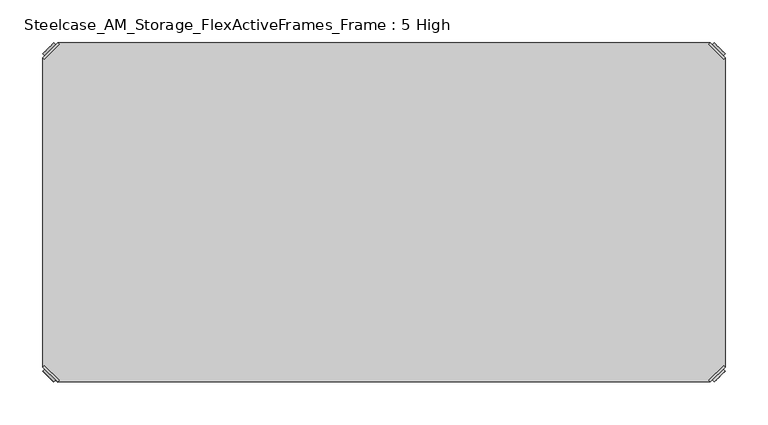
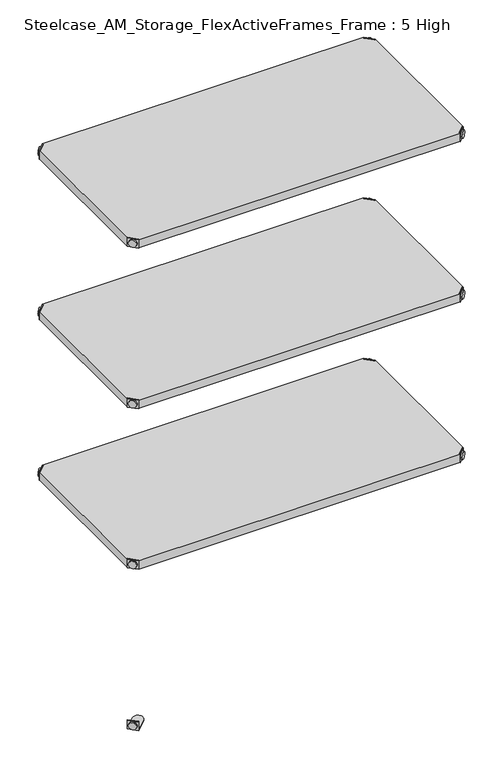
"""IFC4 building model written with IfcOpenShell, lengths in millimetres: furniture geometry, Steelcase_AM_Storage_FlexActiveFrames_Frame : 5 High."""

from ifc_helpers import new_model, si_unit, frame, origin, place, context, project, spatial, polyline, circle_curve, outline, extrude, source, transform, mapped, element, save
from ifc_brep_helpers import plane_surface, cylinder_surface, advanced_brep


def steelcase_am_storage_flexactiveframes_frame_5_high_27d22061(model_context):
    return source(origin(), model_context, "Body", "SolidModel", [
        advanced_brep(
        [(2.54, -380.2870969, 1725.93), (19.7629031, -397.51, 1725.93), (21.5589544, -395.7139488, 1725.93), (4.3360512, -378.4910456, 1725.93), (2.54, -380.2870969, 1704.594), (19.7629031, -397.51, 1704.594), (4.8652723, -382.6123691, 1715.77), (17.4376309, -395.1847277, 1715.77), (30.2920522, -352.5350447, 1705.61), (4.3360512, -378.4910456, 1705.61), (21.5589544, -395.7139488, 1705.61), (47.5149553, -369.7579478, 1705.61), (30.2920522, -352.5350447, 1704.594), (47.5149553, -369.7579478, 1704.594), (15.1227513, -397.4996073, 1715.77), (2.5503927, -384.9272487, 1715.77)],
        [
            (0, 1),
            (1, 2),
            (2, 3),
            (3, 0),
            (0, 4),
            (4, 5),
            (5, 1),
            (6, 7, circle_curve(frame((11.1514516, -388.8985484, 1715.77), z_axis=(0.7071067811865446, 0.7071067811865505, 0.0), x_axis=(-0.7071067811865505, 0.7071067811865446, 0.0)), 8.89)),
            (7, 6, circle_curve(frame((11.1514516, -388.8985484, 1715.77), z_axis=(0.7071067811865446, 0.7071067811865505, 0.0), x_axis=(-0.7071067811865505, 0.7071067811865446, 0.0)), 8.89)),
            (8, 9),
            (9, 10),
            (10, 11),
            (11, 8, circle_curve(frame((38.9035037, -361.1464963, 1705.61), z_axis=(0.0, 0.0, 1.0), x_axis=(1.0, 0.0, 0.0)), 12.1784316)),
            (12, 13, circle_curve(frame((38.9035037, -361.1464963, 1704.594), z_axis=(0.0, 0.0, -1.0), x_axis=(1.0, 0.0, 0.0)), 12.1784316)),
            (13, 5),
            (4, 12),
            (14, 15, circle_curve(frame((8.836572, -391.213428, 1715.77), z_axis=(-0.7071067811865446, -0.7071067811865505, 0.0), x_axis=(-0.7071067811865505, 0.7071067811865446, 0.0)), 8.89)),
            (15, 14, circle_curve(frame((8.836572, -391.213428, 1715.77), z_axis=(-0.7071067811865446, -0.7071067811865505, 0.0), x_axis=(-0.7071067811865505, 0.7071067811865446, 0.0)), 8.89)),
            (15, 6),
            (7, 14),
            (2, 10),
            (9, 3),
            (11, 13),
            (12, 8),
        ],
        [
            plane_surface(frame((-19.6579872, -402.485084, 1725.93), z_axis=(0.0, 0.0, 1.0000000000000002), x_axis=(0.7071067811865436, 0.7071067811865516, 0.0))),
            plane_surface(frame((19.7629031, -397.51, 1725.93), z_axis=(-0.7071067811865447, -0.7071067811865503, 0.0), x_axis=(0.0, 0.0, -1.0))),
            plane_surface(frame((51.0819353, -361.1464963, 1705.61), z_axis=(0.0, 0.0, 1.0), x_axis=(0.0, -1.0, 0.0))),
            plane_surface(frame((51.0819353, -361.1464963, 1704.594), z_axis=(0.0, 0.0, -1.0), x_axis=(0.0, 1.0, 0.0))),
            plane_surface(frame((2.5503927, -384.9272487, 1715.77), z_axis=(-0.7071067811865446, -0.7071067811865505, 0.0), x_axis=(0.0, 0.0, 1.0))),
            cylinder_surface(frame((11.1514516, -388.8985484, 1715.77), z_axis=(-0.7071067811865446, -0.7071067811865505, 0.0), x_axis=(-0.7071067811865505, 0.7071067811865446, 0.0)), 8.89),
            plane_surface(frame((4.3360512, -378.4910456, 1725.93), z_axis=(0.7071067811865447, 0.7071067811865503, 0.0), x_axis=(0.0, 0.0, -1.0))),
            cylinder_surface(frame((38.9035037, -361.1464963, 1704.594), z_axis=(0.0, 0.0, 1.0), x_axis=(1.0, 0.0, 0.0)), 12.1784316),
            plane_surface(frame((2.54, -380.2870969, 1725.93), z_axis=(-0.7071067811865516, 0.7071067811865436, 0.0), x_axis=(0.0, 0.0, -1.0))),
            plane_surface(frame((21.5589544, -395.7139488, 1725.93), z_axis=(0.7071067811865513, -0.7071067811865437, 0.0), x_axis=(0.0, 0.0, -1.0))),
        ],
        [
            (0, [[1, 2, 3, 4]]),
            (1, [[5, 6, 7, -1], [8, 9]]),
            (2, [[10, 11, 12, 13]]),
            (3, [[14, 15, -6, 16]]),
            (4, [[17, 18]]),
            (5, [[19, -9, 20, -18]]),
            (5, [[-20, -8, -19, -17]]),
            (6, [[21, -11, 22, -3]]),
            (7, [[23, -14, 24, -13]]),
            (8, [[-22, -10, -24, -16, -5, -4]]),
            (9, [[-7, -15, -23, -12, -21, -2]]),
        ],
    ),
        advanced_brep(
        [(797.56, -380.2870969, 1725.93), (795.7639488, -378.4910456, 1725.93), (778.5410456, -395.7139488, 1725.93), (780.3370969, -397.51, 1725.93), (780.3370969, -397.51, 1704.594), (797.56, -380.2870969, 1704.594), (795.2347277, -382.6123691, 1715.77), (782.6623691, -395.1847277, 1715.77), (769.8079478, -352.5350447, 1705.61), (752.5850447, -369.7579478, 1705.61), (778.5410456, -395.7139488, 1705.61), (795.7639488, -378.4910456, 1705.61), (769.8079478, -352.5350447, 1704.594), (752.5850447, -369.7579478, 1704.594), (784.9772487, -397.4996073, 1715.77), (797.5496073, -384.9272487, 1715.77)],
        [
            (0, 1),
            (1, 2),
            (2, 3),
            (3, 0),
            (3, 4),
            (4, 5),
            (5, 0),
            (6, 7, circle_curve(frame((788.9485484, -388.8985484, 1715.77), z_axis=(-0.7071067811865446, 0.7071067811865505, 0.0), x_axis=(0.7071067811865505, 0.7071067811865446, 0.0)), 8.89)),
            (7, 6, circle_curve(frame((788.9485484, -388.8985484, 1715.77), z_axis=(-0.7071067811865446, 0.7071067811865505, 0.0), x_axis=(0.7071067811865505, 0.7071067811865446, 0.0)), 8.89)),
            (8, 9, circle_curve(frame((761.1964963, -361.1464963, 1705.61), z_axis=(0.0, 0.0, 1.0), x_axis=(-1.0, 0.0, 0.0)), 12.1784316)),
            (9, 10),
            (10, 11),
            (11, 8),
            (12, 5),
            (4, 13),
            (13, 12, circle_curve(frame((761.1964963, -361.1464963, 1704.594), z_axis=(0.0, 0.0, -1.0), x_axis=(-1.0, 0.0, 0.0)), 12.1784316)),
            (14, 15, circle_curve(frame((791.263428, -391.213428, 1715.77), z_axis=(0.7071067811865446, -0.7071067811865505, 0.0), x_axis=(0.7071067811865505, 0.7071067811865446, 0.0)), 8.89)),
            (15, 14, circle_curve(frame((791.263428, -391.213428, 1715.77), z_axis=(0.7071067811865446, -0.7071067811865505, 0.0), x_axis=(0.7071067811865505, 0.7071067811865446, 0.0)), 8.89)),
            (14, 7),
            (6, 15),
            (1, 11),
            (10, 2),
            (8, 12),
            (13, 9),
        ],
        [
            plane_surface(frame((819.7579872, -402.485084, 1725.93), z_axis=(0.0, 0.0, 1.0000000000000002), x_axis=(-0.7071067811865436, 0.7071067811865516, 0.0))),
            plane_surface(frame((780.3370969, -397.51, 1725.93), z_axis=(0.7071067811865447, -0.7071067811865503, 0.0), x_axis=(0.0, 0.0, -1.0))),
            plane_surface(frame((749.0180647, -361.1464963, 1705.61), z_axis=(0.0, 0.0, 1.0), x_axis=(0.0, -1.0, 0.0))),
            plane_surface(frame((749.0180647, -361.1464963, 1704.594), z_axis=(0.0, 0.0, -1.0), x_axis=(0.0, 1.0, 0.0))),
            plane_surface(frame((797.5496073, -384.9272487, 1715.77), z_axis=(0.7071067811865446, -0.7071067811865505, 0.0), x_axis=(0.0, 0.0, 1.0))),
            cylinder_surface(frame((788.9485484, -388.8985484, 1715.77), z_axis=(0.7071067811865446, -0.7071067811865505, 0.0), x_axis=(0.7071067811865505, 0.7071067811865446, 0.0)), 8.89),
            plane_surface(frame((795.7639488, -378.4910456, 1725.93), z_axis=(-0.7071067811865447, 0.7071067811865503, 0.0), x_axis=(0.0, 0.0, -1.0))),
            cylinder_surface(frame((761.1964963, -361.1464963, 1704.594), z_axis=(0.0, 0.0, 1.0), x_axis=(-1.0, 0.0, 0.0)), 12.1784316),
            plane_surface(frame((797.56, -380.2870969, 1725.93), z_axis=(0.7071067811865516, 0.7071067811865436, 0.0), x_axis=(0.0, 0.0, -1.0))),
            plane_surface(frame((778.5410456, -395.7139488, 1725.93), z_axis=(-0.7071067811865513, -0.7071067811865437, 0.0), x_axis=(0.0, 0.0, -1.0))),
        ],
        [
            (0, [[1, 2, 3, 4]]),
            (1, [[-4, 5, 6, 7], [8, 9]]),
            (2, [[10, 11, 12, 13]]),
            (3, [[14, -6, 15, 16]]),
            (4, [[17, 18]]),
            (5, [[-17, 19, -8, 20]]),
            (5, [[-18, -20, -9, -19]]),
            (6, [[-2, 21, -12, 22]]),
            (7, [[-10, 23, -16, 24]]),
            (8, [[-1, -7, -14, -23, -13, -21]]),
            (9, [[-3, -22, -11, -24, -15, -5]]),
        ],
    ),
        advanced_brep(
        [(797.56, -19.7629031, 1725.93), (780.3370969, -2.54, 1725.93), (778.5410456, -4.3360512, 1725.93), (795.7639488, -21.5589544, 1725.93), (797.56, -19.7629031, 1704.594), (780.3370969, -2.54, 1704.594), (795.2347277, -17.4376309, 1715.77), (782.6623691, -4.8652723, 1715.77), (769.8079478, -47.5149553, 1705.61), (795.7639488, -21.5589544, 1705.61), (778.5410456, -4.3360512, 1705.61), (752.5850447, -30.2920522, 1705.61), (769.8079478, -47.5149553, 1704.594), (752.5850447, -30.2920522, 1704.594), (784.9772487, -2.5503927, 1715.77), (797.5496073, -15.1227513, 1715.77)],
        [
            (0, 1),
            (1, 2),
            (2, 3),
            (3, 0),
            (0, 4),
            (4, 5),
            (5, 1),
            (6, 7, circle_curve(frame((788.9485484, -11.1514516, 1715.77), z_axis=(-0.7071067811865469, -0.7071067811865481, 0.0), x_axis=(0.7071067811865481, -0.7071067811865469, 0.0)), 8.89)),
            (7, 6, circle_curve(frame((788.9485484, -11.1514516, 1715.77), z_axis=(-0.7071067811865469, -0.7071067811865481, 0.0), x_axis=(0.7071067811865481, -0.7071067811865469, 0.0)), 8.89)),
            (8, 9),
            (9, 10),
            (10, 11),
            (11, 8, circle_curve(frame((761.1964963, -38.9035037, 1705.61), z_axis=(0.0, 0.0, 1.0), x_axis=(-1.0, 0.0, 0.0)), 12.1784316)),
            (12, 13, circle_curve(frame((761.1964963, -38.9035037, 1704.594), z_axis=(0.0, 0.0, -1.0), x_axis=(-1.0, 0.0, 0.0)), 12.1784316)),
            (13, 5),
            (4, 12),
            (14, 15, circle_curve(frame((791.263428, -8.836572, 1715.77), z_axis=(0.7071067811865469, 0.7071067811865481, 0.0), x_axis=(0.7071067811865481, -0.7071067811865469, 0.0)), 8.89)),
            (15, 14, circle_curve(frame((791.263428, -8.836572, 1715.77), z_axis=(0.7071067811865469, 0.7071067811865481, 0.0), x_axis=(0.7071067811865481, -0.7071067811865469, 0.0)), 8.89)),
            (15, 6),
            (7, 14),
            (2, 10),
            (9, 3),
            (11, 13),
            (12, 8),
        ],
        [
            plane_surface(frame((819.7579872, 2.435084, 1725.93), z_axis=(0.0, 0.0, 1.0000000000000002), x_axis=(-0.7071067811865459, -0.7071067811865492, 0.0))),
            plane_surface(frame((780.3370969, -2.54, 1725.93), z_axis=(0.707106781186547, 0.707106781186548, 0.0), x_axis=(0.0, 0.0, -1.0))),
            plane_surface(frame((749.0180647, -38.9035037, 1705.61), z_axis=(0.0, 0.0, 1.0), x_axis=(0.0, 1.0, 0.0))),
            plane_surface(frame((749.0180647, -38.9035037, 1704.594), z_axis=(0.0, 0.0, -1.0), x_axis=(0.0, -1.0, 0.0))),
            plane_surface(frame((797.5496073, -15.1227513, 1715.77), z_axis=(0.7071067811865469, 0.7071067811865481, 0.0), x_axis=(0.0, 0.0, 1.0))),
            cylinder_surface(frame((788.9485484, -11.1514516, 1715.77), z_axis=(0.7071067811865469, 0.7071067811865481, 0.0), x_axis=(0.7071067811865481, -0.7071067811865469, 0.0)), 8.89),
            plane_surface(frame((795.7639488, -21.5589544, 1725.93), z_axis=(-0.707106781186547, -0.707106781186548, 0.0), x_axis=(0.0, 0.0, -1.0))),
            cylinder_surface(frame((761.1964963, -38.9035037, 1704.594), z_axis=(0.0, 0.0, 1.0), x_axis=(-1.0, 0.0, 0.0)), 12.1784316),
            plane_surface(frame((797.56, -19.7629031, 1725.93), z_axis=(0.7071067811865492, -0.7071067811865459, 0.0), x_axis=(0.0, 0.0, -1.0))),
            plane_surface(frame((778.5410456, -4.3360512, 1725.93), z_axis=(-0.707106781186549, 0.707106781186546, 0.0), x_axis=(0.0, 0.0, -1.0))),
        ],
        [
            (0, [[1, 2, 3, 4]]),
            (1, [[5, 6, 7, -1], [8, 9]]),
            (2, [[10, 11, 12, 13]]),
            (3, [[14, 15, -6, 16]]),
            (4, [[17, 18]]),
            (5, [[19, -9, 20, -18]]),
            (5, [[-20, -8, -19, -17]]),
            (6, [[21, -11, 22, -3]]),
            (7, [[23, -14, 24, -13]]),
            (8, [[-22, -10, -24, -16, -5, -4]]),
            (9, [[-7, -15, -23, -12, -21, -2]]),
        ],
    ),
        advanced_brep(
        [(2.54, -19.7629031, 1725.93), (4.3360512, -21.5589544, 1725.93), (21.5589544, -4.3360512, 1725.93), (19.7629031, -2.54, 1725.93), (19.7629031, -2.54, 1704.594), (2.54, -19.7629031, 1704.594), (4.8652723, -17.4376309, 1715.77), (17.4376309, -4.8652723, 1715.77), (30.2920522, -47.5149553, 1705.61), (47.5149553, -30.2920522, 1705.61), (21.5589544, -4.3360512, 1705.61), (4.3360512, -21.5589544, 1705.61), (30.2920522, -47.5149553, 1704.594), (47.5149553, -30.2920522, 1704.594), (15.1227513, -2.5503927, 1715.77), (2.5503927, -15.1227513, 1715.77)],
        [
            (0, 1),
            (1, 2),
            (2, 3),
            (3, 0),
            (3, 4),
            (4, 5),
            (5, 0),
            (6, 7, circle_curve(frame((11.1514516, -11.1514516, 1715.77), z_axis=(0.7071067811865469, -0.7071067811865481, 0.0), x_axis=(-0.7071067811865481, -0.7071067811865469, 0.0)), 8.89)),
            (7, 6, circle_curve(frame((11.1514516, -11.1514516, 1715.77), z_axis=(0.7071067811865469, -0.7071067811865481, 0.0), x_axis=(-0.7071067811865481, -0.7071067811865469, 0.0)), 8.89)),
            (8, 9, circle_curve(frame((38.9035037, -38.9035037, 1705.61), z_axis=(0.0, 0.0, 1.0), x_axis=(1.0, 0.0, 0.0)), 12.1784316)),
            (9, 10),
            (10, 11),
            (11, 8),
            (12, 5),
            (4, 13),
            (13, 12, circle_curve(frame((38.9035037, -38.9035037, 1704.594), z_axis=(0.0, 0.0, -1.0), x_axis=(1.0, 0.0, 0.0)), 12.1784316)),
            (14, 15, circle_curve(frame((8.836572, -8.836572, 1715.77), z_axis=(-0.7071067811865469, 0.7071067811865481, 0.0), x_axis=(-0.7071067811865481, -0.7071067811865469, 0.0)), 8.89)),
            (15, 14, circle_curve(frame((8.836572, -8.836572, 1715.77), z_axis=(-0.7071067811865469, 0.7071067811865481, 0.0), x_axis=(-0.7071067811865481, -0.7071067811865469, 0.0)), 8.89)),
            (14, 7),
            (6, 15),
            (1, 11),
            (10, 2),
            (8, 12),
            (13, 9),
        ],
        [
            plane_surface(frame((-19.6579872, 2.435084, 1725.93), z_axis=(0.0, 0.0, 1.0000000000000002), x_axis=(0.7071067811865459, -0.7071067811865492, 0.0))),
            plane_surface(frame((19.7629031, -2.54, 1725.93), z_axis=(-0.707106781186547, 0.707106781186548, 0.0), x_axis=(0.0, 0.0, -1.0))),
            plane_surface(frame((51.0819353, -38.9035037, 1705.61), z_axis=(0.0, 0.0, 1.0), x_axis=(0.0, 1.0, 0.0))),
            plane_surface(frame((51.0819353, -38.9035037, 1704.594), z_axis=(0.0, 0.0, -1.0), x_axis=(0.0, -1.0, 0.0))),
            plane_surface(frame((2.5503927, -15.1227513, 1715.77), z_axis=(-0.7071067811865469, 0.7071067811865481, 0.0), x_axis=(0.0, 0.0, 1.0))),
            cylinder_surface(frame((11.1514516, -11.1514516, 1715.77), z_axis=(-0.7071067811865469, 0.7071067811865481, 0.0), x_axis=(-0.7071067811865481, -0.7071067811865469, 0.0)), 8.89),
            plane_surface(frame((4.3360512, -21.5589544, 1725.93), z_axis=(0.707106781186547, -0.707106781186548, 0.0), x_axis=(0.0, 0.0, -1.0))),
            cylinder_surface(frame((38.9035037, -38.9035037, 1704.594), z_axis=(0.0, 0.0, 1.0), x_axis=(1.0, 0.0, 0.0)), 12.1784316),
            plane_surface(frame((2.54, -19.7629031, 1725.93), z_axis=(-0.7071067811865492, -0.7071067811865459, 0.0), x_axis=(0.0, 0.0, -1.0))),
            plane_surface(frame((21.5589544, -4.3360512, 1725.93), z_axis=(0.707106781186549, 0.707106781186546, 0.0), x_axis=(0.0, 0.0, -1.0))),
        ],
        [
            (0, [[1, 2, 3, 4]]),
            (1, [[-4, 5, 6, 7], [8, 9]]),
            (2, [[10, 11, 12, 13]]),
            (3, [[14, -6, 15, 16]]),
            (4, [[17, 18]]),
            (5, [[-17, 19, -8, 20]]),
            (5, [[-18, -20, -9, -19]]),
            (6, [[-2, 21, -12, 22]]),
            (7, [[-10, 23, -16, 24]]),
            (8, [[-1, -7, -14, -23, -13, -21]]),
            (9, [[-3, -22, -11, -24, -15, -5]]),
        ],
    ),
        extrude(outline(polyline([(19.7629031, -2.54), (780.3370969, -2.54), (778.5410456, -4.3360512), (795.7639488, -21.5589544), (797.56, -19.7629031), (797.56, -380.2870969), (795.7639488, -378.4910456), (778.5410456, -395.7139488), (780.3370969, -397.51), (19.7629031, -397.51), (21.5589544, -395.7139488), (4.3360512, -378.4910456), (2.54, -380.2870969), (2.54, -19.7629031), (4.3360512, -21.5589544), (21.5589544, -4.3360512), (19.7629031, -2.54)])), frame((0.0, 0.0, 1705.61), z_axis=(0.0, 0.0, 1.0), x_axis=(1.0, 0.0, 0.0)), (0.0, 0.0, 1.0), 20.32),
        advanced_brep(
        [(2.54, -380.2870969, 1324.61), (19.7629031, -397.51, 1324.61), (21.5589544, -395.7139488, 1324.61), (4.3360512, -378.4910456, 1324.61), (2.54, -380.2870969, 1303.274), (19.7629031, -397.51, 1303.274), (4.8652723, -382.6123691, 1314.45), (17.4376309, -395.1847277, 1314.45), (30.2920522, -352.5350447, 1304.29), (4.3360512, -378.4910456, 1304.29), (21.5589544, -395.7139488, 1304.29), (47.5149553, -369.7579478, 1304.29), (30.2920522, -352.5350447, 1303.274), (47.5149553, -369.7579478, 1303.274), (15.1227513, -397.4996073, 1314.45), (2.5503927, -384.9272487, 1314.45)],
        [
            (0, 1),
            (1, 2),
            (2, 3),
            (3, 0),
            (0, 4),
            (4, 5),
            (5, 1),
            (6, 7, circle_curve(frame((11.1514516, -388.8985484, 1314.45), z_axis=(0.7071067811865446, 0.7071067811865505, 0.0), x_axis=(-0.7071067811865505, 0.7071067811865446, 0.0)), 8.89)),
            (7, 6, circle_curve(frame((11.1514516, -388.8985484, 1314.45), z_axis=(0.7071067811865446, 0.7071067811865505, 0.0), x_axis=(-0.7071067811865505, 0.7071067811865446, 0.0)), 8.89)),
            (8, 9),
            (9, 10),
            (10, 11),
            (11, 8, circle_curve(frame((38.9035037, -361.1464963, 1304.29), z_axis=(0.0, 0.0, 1.0), x_axis=(1.0, 0.0, 0.0)), 12.1784316)),
            (12, 13, circle_curve(frame((38.9035037, -361.1464963, 1303.274), z_axis=(0.0, 0.0, -1.0), x_axis=(1.0, 0.0, 0.0)), 12.1784316)),
            (13, 5),
            (4, 12),
            (14, 15, circle_curve(frame((8.836572, -391.213428, 1314.45), z_axis=(-0.7071067811865446, -0.7071067811865505, 0.0), x_axis=(-0.7071067811865505, 0.7071067811865446, 0.0)), 8.89)),
            (15, 14, circle_curve(frame((8.836572, -391.213428, 1314.45), z_axis=(-0.7071067811865446, -0.7071067811865505, 0.0), x_axis=(-0.7071067811865505, 0.7071067811865446, 0.0)), 8.89)),
            (15, 6),
            (7, 14),
            (2, 10),
            (9, 3),
            (11, 13),
            (12, 8),
        ],
        [
            plane_surface(frame((-19.6579872, -402.485084, 1324.61), z_axis=(0.0, 0.0, 1.0000000000000002), x_axis=(0.7071067811865436, 0.7071067811865516, 0.0))),
            plane_surface(frame((19.7629031, -397.51, 1324.61), z_axis=(-0.7071067811865447, -0.7071067811865503, 0.0), x_axis=(0.0, 0.0, -1.0))),
            plane_surface(frame((51.0819353, -361.1464963, 1304.29), z_axis=(0.0, 0.0, 1.0), x_axis=(0.0, -1.0, 0.0))),
            plane_surface(frame((51.0819353, -361.1464963, 1303.274), z_axis=(0.0, 0.0, -1.0), x_axis=(0.0, 1.0, 0.0))),
            plane_surface(frame((2.5503927, -384.9272487, 1314.45), z_axis=(-0.7071067811865446, -0.7071067811865505, 0.0), x_axis=(0.0, 0.0, 1.0))),
            cylinder_surface(frame((11.1514516, -388.8985484, 1314.45), z_axis=(-0.7071067811865446, -0.7071067811865505, 0.0), x_axis=(-0.7071067811865505, 0.7071067811865446, 0.0)), 8.89),
            plane_surface(frame((4.3360512, -378.4910456, 1324.61), z_axis=(0.7071067811865447, 0.7071067811865503, 0.0), x_axis=(0.0, 0.0, -1.0))),
            cylinder_surface(frame((38.9035037, -361.1464963, 1303.274), z_axis=(0.0, 0.0, 1.0), x_axis=(1.0, 0.0, 0.0)), 12.1784316),
            plane_surface(frame((2.54, -380.2870969, 1324.61), z_axis=(-0.7071067811865516, 0.7071067811865436, 0.0), x_axis=(0.0, 0.0, -1.0))),
            plane_surface(frame((21.5589544, -395.7139488, 1324.61), z_axis=(0.7071067811865513, -0.7071067811865437, 0.0), x_axis=(0.0, 0.0, -1.0))),
        ],
        [
            (0, [[1, 2, 3, 4]]),
            (1, [[5, 6, 7, -1], [8, 9]]),
            (2, [[10, 11, 12, 13]]),
            (3, [[14, 15, -6, 16]]),
            (4, [[17, 18]]),
            (5, [[19, -9, 20, -18]]),
            (5, [[-20, -8, -19, -17]]),
            (6, [[21, -11, 22, -3]]),
            (7, [[23, -14, 24, -13]]),
            (8, [[-22, -10, -24, -16, -5, -4]]),
            (9, [[-7, -15, -23, -12, -21, -2]]),
        ],
    ),
        advanced_brep(
        [(797.56, -380.2870969, 1324.61), (795.7639488, -378.4910456, 1324.61), (778.5410456, -395.7139488, 1324.61), (780.3370969, -397.51, 1324.61), (780.3370969, -397.51, 1303.274), (797.56, -380.2870969, 1303.274), (795.2347277, -382.6123691, 1314.45), (782.6623691, -395.1847277, 1314.45), (769.8079478, -352.5350447, 1304.29), (752.5850447, -369.7579478, 1304.29), (778.5410456, -395.7139488, 1304.29), (795.7639488, -378.4910456, 1304.29), (769.8079478, -352.5350447, 1303.274), (752.5850447, -369.7579478, 1303.274), (784.9772487, -397.4996073, 1314.45), (797.5496073, -384.9272487, 1314.45)],
        [
            (0, 1),
            (1, 2),
            (2, 3),
            (3, 0),
            (3, 4),
            (4, 5),
            (5, 0),
            (6, 7, circle_curve(frame((788.9485484, -388.8985484, 1314.45), z_axis=(-0.7071067811865446, 0.7071067811865505, 0.0), x_axis=(0.7071067811865505, 0.7071067811865446, 0.0)), 8.89)),
            (7, 6, circle_curve(frame((788.9485484, -388.8985484, 1314.45), z_axis=(-0.7071067811865446, 0.7071067811865505, 0.0), x_axis=(0.7071067811865505, 0.7071067811865446, 0.0)), 8.89)),
            (8, 9, circle_curve(frame((761.1964963, -361.1464963, 1304.29), z_axis=(0.0, 0.0, 1.0), x_axis=(-1.0, 0.0, 0.0)), 12.1784316)),
            (9, 10),
            (10, 11),
            (11, 8),
            (12, 5),
            (4, 13),
            (13, 12, circle_curve(frame((761.1964963, -361.1464963, 1303.274), z_axis=(0.0, 0.0, -1.0), x_axis=(-1.0, 0.0, 0.0)), 12.1784316)),
            (14, 15, circle_curve(frame((791.263428, -391.213428, 1314.45), z_axis=(0.7071067811865446, -0.7071067811865505, 0.0), x_axis=(0.7071067811865505, 0.7071067811865446, 0.0)), 8.89)),
            (15, 14, circle_curve(frame((791.263428, -391.213428, 1314.45), z_axis=(0.7071067811865446, -0.7071067811865505, 0.0), x_axis=(0.7071067811865505, 0.7071067811865446, 0.0)), 8.89)),
            (14, 7),
            (6, 15),
            (1, 11),
            (10, 2),
            (8, 12),
            (13, 9),
        ],
        [
            plane_surface(frame((819.7579872, -402.485084, 1324.61), z_axis=(0.0, 0.0, 1.0000000000000002), x_axis=(-0.7071067811865436, 0.7071067811865516, 0.0))),
            plane_surface(frame((780.3370969, -397.51, 1324.61), z_axis=(0.7071067811865447, -0.7071067811865503, 0.0), x_axis=(0.0, 0.0, -1.0))),
            plane_surface(frame((749.0180647, -361.1464963, 1304.29), z_axis=(0.0, 0.0, 1.0), x_axis=(0.0, -1.0, 0.0))),
            plane_surface(frame((749.0180647, -361.1464963, 1303.274), z_axis=(0.0, 0.0, -1.0), x_axis=(0.0, 1.0, 0.0))),
            plane_surface(frame((797.5496073, -384.9272487, 1314.45), z_axis=(0.7071067811865446, -0.7071067811865505, 0.0), x_axis=(0.0, 0.0, 1.0))),
            cylinder_surface(frame((788.9485484, -388.8985484, 1314.45), z_axis=(0.7071067811865446, -0.7071067811865505, 0.0), x_axis=(0.7071067811865505, 0.7071067811865446, 0.0)), 8.89),
            plane_surface(frame((795.7639488, -378.4910456, 1324.61), z_axis=(-0.7071067811865447, 0.7071067811865503, 0.0), x_axis=(0.0, 0.0, -1.0))),
            cylinder_surface(frame((761.1964963, -361.1464963, 1303.274), z_axis=(0.0, 0.0, 1.0), x_axis=(-1.0, 0.0, 0.0)), 12.1784316),
            plane_surface(frame((797.56, -380.2870969, 1324.61), z_axis=(0.7071067811865516, 0.7071067811865436, 0.0), x_axis=(0.0, 0.0, -1.0))),
            plane_surface(frame((778.5410456, -395.7139488, 1324.61), z_axis=(-0.7071067811865513, -0.7071067811865437, 0.0), x_axis=(0.0, 0.0, -1.0))),
        ],
        [
            (0, [[1, 2, 3, 4]]),
            (1, [[-4, 5, 6, 7], [8, 9]]),
            (2, [[10, 11, 12, 13]]),
            (3, [[14, -6, 15, 16]]),
            (4, [[17, 18]]),
            (5, [[-17, 19, -8, 20]]),
            (5, [[-18, -20, -9, -19]]),
            (6, [[-2, 21, -12, 22]]),
            (7, [[-10, 23, -16, 24]]),
            (8, [[-1, -7, -14, -23, -13, -21]]),
            (9, [[-3, -22, -11, -24, -15, -5]]),
        ],
    ),
        advanced_brep(
        [(797.56, -19.7629031, 1324.61), (780.3370969, -2.54, 1324.61), (778.5410456, -4.3360512, 1324.61), (795.7639488, -21.5589544, 1324.61), (797.56, -19.7629031, 1303.274), (780.3370969, -2.54, 1303.274), (795.2347277, -17.4376309, 1314.45), (782.6623691, -4.8652723, 1314.45), (769.8079478, -47.5149553, 1304.29), (795.7639488, -21.5589544, 1304.29), (778.5410456, -4.3360512, 1304.29), (752.5850447, -30.2920522, 1304.29), (769.8079478, -47.5149553, 1303.274), (752.5850447, -30.2920522, 1303.274), (784.9772487, -2.5503927, 1314.45), (797.5496073, -15.1227513, 1314.45)],
        [
            (0, 1),
            (1, 2),
            (2, 3),
            (3, 0),
            (0, 4),
            (4, 5),
            (5, 1),
            (6, 7, circle_curve(frame((788.9485484, -11.1514516, 1314.45), z_axis=(-0.7071067811865469, -0.7071067811865481, 0.0), x_axis=(0.7071067811865481, -0.7071067811865469, 0.0)), 8.89)),
            (7, 6, circle_curve(frame((788.9485484, -11.1514516, 1314.45), z_axis=(-0.7071067811865469, -0.7071067811865481, 0.0), x_axis=(0.7071067811865481, -0.7071067811865469, 0.0)), 8.89)),
            (8, 9),
            (9, 10),
            (10, 11),
            (11, 8, circle_curve(frame((761.1964963, -38.9035037, 1304.29), z_axis=(0.0, 0.0, 1.0), x_axis=(-1.0, 0.0, 0.0)), 12.1784316)),
            (12, 13, circle_curve(frame((761.1964963, -38.9035037, 1303.274), z_axis=(0.0, 0.0, -1.0), x_axis=(-1.0, 0.0, 0.0)), 12.1784316)),
            (13, 5),
            (4, 12),
            (14, 15, circle_curve(frame((791.263428, -8.836572, 1314.45), z_axis=(0.7071067811865469, 0.7071067811865481, 0.0), x_axis=(0.7071067811865481, -0.7071067811865469, 0.0)), 8.89)),
            (15, 14, circle_curve(frame((791.263428, -8.836572, 1314.45), z_axis=(0.7071067811865469, 0.7071067811865481, 0.0), x_axis=(0.7071067811865481, -0.7071067811865469, 0.0)), 8.89)),
            (15, 6),
            (7, 14),
            (2, 10),
            (9, 3),
            (11, 13),
            (12, 8),
        ],
        [
            plane_surface(frame((819.7579872, 2.435084, 1324.61), z_axis=(0.0, 0.0, 1.0000000000000002), x_axis=(-0.7071067811865459, -0.7071067811865492, 0.0))),
            plane_surface(frame((780.3370969, -2.54, 1324.61), z_axis=(0.707106781186547, 0.707106781186548, 0.0), x_axis=(0.0, 0.0, -1.0))),
            plane_surface(frame((749.0180647, -38.9035037, 1304.29), z_axis=(0.0, 0.0, 1.0), x_axis=(0.0, 1.0, 0.0))),
            plane_surface(frame((749.0180647, -38.9035037, 1303.274), z_axis=(0.0, 0.0, -1.0), x_axis=(0.0, -1.0, 0.0))),
            plane_surface(frame((797.5496073, -15.1227513, 1314.45), z_axis=(0.7071067811865469, 0.7071067811865481, 0.0), x_axis=(0.0, 0.0, 1.0))),
            cylinder_surface(frame((788.9485484, -11.1514516, 1314.45), z_axis=(0.7071067811865469, 0.7071067811865481, 0.0), x_axis=(0.7071067811865481, -0.7071067811865469, 0.0)), 8.89),
            plane_surface(frame((795.7639488, -21.5589544, 1324.61), z_axis=(-0.707106781186547, -0.707106781186548, 0.0), x_axis=(0.0, 0.0, -1.0))),
            cylinder_surface(frame((761.1964963, -38.9035037, 1303.274), z_axis=(0.0, 0.0, 1.0), x_axis=(-1.0, 0.0, 0.0)), 12.1784316),
            plane_surface(frame((797.56, -19.7629031, 1324.61), z_axis=(0.7071067811865492, -0.7071067811865459, 0.0), x_axis=(0.0, 0.0, -1.0))),
            plane_surface(frame((778.5410456, -4.3360512, 1324.61), z_axis=(-0.707106781186549, 0.707106781186546, 0.0), x_axis=(0.0, 0.0, -1.0))),
        ],
        [
            (0, [[1, 2, 3, 4]]),
            (1, [[5, 6, 7, -1], [8, 9]]),
            (2, [[10, 11, 12, 13]]),
            (3, [[14, 15, -6, 16]]),
            (4, [[17, 18]]),
            (5, [[19, -9, 20, -18]]),
            (5, [[-20, -8, -19, -17]]),
            (6, [[21, -11, 22, -3]]),
            (7, [[23, -14, 24, -13]]),
            (8, [[-22, -10, -24, -16, -5, -4]]),
            (9, [[-7, -15, -23, -12, -21, -2]]),
        ],
    ),
        advanced_brep(
        [(2.54, -19.7629031, 1324.61), (4.3360512, -21.5589544, 1324.61), (21.5589544, -4.3360512, 1324.61), (19.7629031, -2.54, 1324.61), (19.7629031, -2.54, 1303.274), (2.54, -19.7629031, 1303.274), (4.8652723, -17.4376309, 1314.45), (17.4376309, -4.8652723, 1314.45), (30.2920522, -47.5149553, 1304.29), (47.5149553, -30.2920522, 1304.29), (21.5589544, -4.3360512, 1304.29), (4.3360512, -21.5589544, 1304.29), (30.2920522, -47.5149553, 1303.274), (47.5149553, -30.2920522, 1303.274), (15.1227513, -2.5503927, 1314.45), (2.5503927, -15.1227513, 1314.45)],
        [
            (0, 1),
            (1, 2),
            (2, 3),
            (3, 0),
            (3, 4),
            (4, 5),
            (5, 0),
            (6, 7, circle_curve(frame((11.1514516, -11.1514516, 1314.45), z_axis=(0.7071067811865469, -0.7071067811865481, 0.0), x_axis=(-0.7071067811865481, -0.7071067811865469, 0.0)), 8.89)),
            (7, 6, circle_curve(frame((11.1514516, -11.1514516, 1314.45), z_axis=(0.7071067811865469, -0.7071067811865481, 0.0), x_axis=(-0.7071067811865481, -0.7071067811865469, 0.0)), 8.89)),
            (8, 9, circle_curve(frame((38.9035037, -38.9035037, 1304.29), z_axis=(0.0, 0.0, 1.0), x_axis=(1.0, 0.0, 0.0)), 12.1784316)),
            (9, 10),
            (10, 11),
            (11, 8),
            (12, 5),
            (4, 13),
            (13, 12, circle_curve(frame((38.9035037, -38.9035037, 1303.274), z_axis=(0.0, 0.0, -1.0), x_axis=(1.0, 0.0, 0.0)), 12.1784316)),
            (14, 15, circle_curve(frame((8.836572, -8.836572, 1314.45), z_axis=(-0.7071067811865469, 0.7071067811865481, 0.0), x_axis=(-0.7071067811865481, -0.7071067811865469, 0.0)), 8.89)),
            (15, 14, circle_curve(frame((8.836572, -8.836572, 1314.45), z_axis=(-0.7071067811865469, 0.7071067811865481, 0.0), x_axis=(-0.7071067811865481, -0.7071067811865469, 0.0)), 8.89)),
            (14, 7),
            (6, 15),
            (1, 11),
            (10, 2),
            (8, 12),
            (13, 9),
        ],
        [
            plane_surface(frame((-19.6579872, 2.435084, 1324.61), z_axis=(0.0, 0.0, 1.0000000000000002), x_axis=(0.7071067811865459, -0.7071067811865492, 0.0))),
            plane_surface(frame((19.7629031, -2.54, 1324.61), z_axis=(-0.707106781186547, 0.707106781186548, 0.0), x_axis=(0.0, 0.0, -1.0))),
            plane_surface(frame((51.0819353, -38.9035037, 1304.29), z_axis=(0.0, 0.0, 1.0), x_axis=(0.0, 1.0, 0.0))),
            plane_surface(frame((51.0819353, -38.9035037, 1303.274), z_axis=(0.0, 0.0, -1.0), x_axis=(0.0, -1.0, 0.0))),
            plane_surface(frame((2.5503927, -15.1227513, 1314.45), z_axis=(-0.7071067811865469, 0.7071067811865481, 0.0), x_axis=(0.0, 0.0, 1.0))),
            cylinder_surface(frame((11.1514516, -11.1514516, 1314.45), z_axis=(-0.7071067811865469, 0.7071067811865481, 0.0), x_axis=(-0.7071067811865481, -0.7071067811865469, 0.0)), 8.89),
            plane_surface(frame((4.3360512, -21.5589544, 1324.61), z_axis=(0.707106781186547, -0.707106781186548, 0.0), x_axis=(0.0, 0.0, -1.0))),
            cylinder_surface(frame((38.9035037, -38.9035037, 1303.274), z_axis=(0.0, 0.0, 1.0), x_axis=(1.0, 0.0, 0.0)), 12.1784316),
            plane_surface(frame((2.54, -19.7629031, 1324.61), z_axis=(-0.7071067811865492, -0.7071067811865459, 0.0), x_axis=(0.0, 0.0, -1.0))),
            plane_surface(frame((21.5589544, -4.3360512, 1324.61), z_axis=(0.707106781186549, 0.707106781186546, 0.0), x_axis=(0.0, 0.0, -1.0))),
        ],
        [
            (0, [[1, 2, 3, 4]]),
            (1, [[-4, 5, 6, 7], [8, 9]]),
            (2, [[10, 11, 12, 13]]),
            (3, [[14, -6, 15, 16]]),
            (4, [[17, 18]]),
            (5, [[-17, 19, -8, 20]]),
            (5, [[-18, -20, -9, -19]]),
            (6, [[-2, 21, -12, 22]]),
            (7, [[-10, 23, -16, 24]]),
            (8, [[-1, -7, -14, -23, -13, -21]]),
            (9, [[-3, -22, -11, -24, -15, -5]]),
        ],
    ),
        extrude(outline(polyline([(19.7629031, -2.54), (780.3370969, -2.54), (778.5410456, -4.3360512), (795.7639488, -21.5589544), (797.56, -19.7629031), (797.56, -380.2870969), (795.7639488, -378.4910456), (778.5410456, -395.7139488), (780.3370969, -397.51), (19.7629031, -397.51), (21.5589544, -395.7139488), (4.3360512, -378.4910456), (2.54, -380.2870969), (2.54, -19.7629031), (4.3360512, -21.5589544), (21.5589544, -4.3360512), (19.7629031, -2.54)])), frame((0.0, 0.0, 1304.29), z_axis=(0.0, 0.0, 1.0), x_axis=(1.0, 0.0, 0.0)), (0.0, 0.0, 1.0), 20.32),
        advanced_brep(
        [(2.54, -380.2870969, 923.29), (19.7629031, -397.51, 923.29), (21.5589544, -395.7139488, 923.29), (4.3360512, -378.4910456, 923.29), (2.54, -380.2870969, 901.954), (19.7629031, -397.51, 901.954), (4.8652723, -382.6123691, 913.13), (17.4376309, -395.1847277, 913.13), (30.2920522, -352.5350447, 902.97), (4.3360512, -378.4910456, 902.97), (21.5589544, -395.7139488, 902.97), (47.5149553, -369.7579478, 902.97), (30.2920522, -352.5350447, 901.954), (47.5149553, -369.7579478, 901.954), (15.1227513, -397.4996073, 913.13), (2.5503927, -384.9272487, 913.13)],
        [
            (0, 1),
            (1, 2),
            (2, 3),
            (3, 0),
            (0, 4),
            (4, 5),
            (5, 1),
            (6, 7, circle_curve(frame((11.1514516, -388.8985484, 913.13), z_axis=(0.7071067811865446, 0.7071067811865505, 0.0), x_axis=(-0.7071067811865505, 0.7071067811865446, 0.0)), 8.89)),
            (7, 6, circle_curve(frame((11.1514516, -388.8985484, 913.13), z_axis=(0.7071067811865446, 0.7071067811865505, 0.0), x_axis=(-0.7071067811865505, 0.7071067811865446, 0.0)), 8.89)),
            (8, 9),
            (9, 10),
            (10, 11),
            (11, 8, circle_curve(frame((38.9035037, -361.1464963, 902.97), z_axis=(0.0, 0.0, 1.0), x_axis=(1.0, 0.0, 0.0)), 12.1784316)),
            (12, 13, circle_curve(frame((38.9035037, -361.1464963, 901.954), z_axis=(0.0, 0.0, -1.0), x_axis=(1.0, 0.0, 0.0)), 12.1784316)),
            (13, 5),
            (4, 12),
            (14, 15, circle_curve(frame((8.836572, -391.213428, 913.13), z_axis=(-0.7071067811865446, -0.7071067811865505, 0.0), x_axis=(-0.7071067811865505, 0.7071067811865446, 0.0)), 8.89)),
            (15, 14, circle_curve(frame((8.836572, -391.213428, 913.13), z_axis=(-0.7071067811865446, -0.7071067811865505, 0.0), x_axis=(-0.7071067811865505, 0.7071067811865446, 0.0)), 8.89)),
            (15, 6),
            (7, 14),
            (2, 10),
            (9, 3),
            (11, 13),
            (12, 8),
        ],
        [
            plane_surface(frame((-19.6579872, -402.485084, 923.29), z_axis=(0.0, 0.0, 1.0000000000000002), x_axis=(0.7071067811865436, 0.7071067811865516, 0.0))),
            plane_surface(frame((19.7629031, -397.51, 923.29), z_axis=(-0.7071067811865447, -0.7071067811865503, 0.0), x_axis=(0.0, 0.0, -1.0))),
            plane_surface(frame((51.0819353, -361.1464963, 902.97), z_axis=(0.0, 0.0, 1.0), x_axis=(0.0, -1.0, 0.0))),
            plane_surface(frame((51.0819353, -361.1464963, 901.954), z_axis=(0.0, 0.0, -1.0), x_axis=(0.0, 1.0, 0.0))),
            plane_surface(frame((2.5503927, -384.9272487, 913.13), z_axis=(-0.7071067811865446, -0.7071067811865505, 0.0), x_axis=(0.0, 0.0, 1.0))),
            cylinder_surface(frame((11.1514516, -388.8985484, 913.13), z_axis=(-0.7071067811865446, -0.7071067811865505, 0.0), x_axis=(-0.7071067811865505, 0.7071067811865446, 0.0)), 8.89),
            plane_surface(frame((4.3360512, -378.4910456, 923.29), z_axis=(0.7071067811865447, 0.7071067811865503, 0.0), x_axis=(0.0, 0.0, -1.0))),
            cylinder_surface(frame((38.9035037, -361.1464963, 901.954), z_axis=(0.0, 0.0, 1.0), x_axis=(1.0, 0.0, 0.0)), 12.1784316),
            plane_surface(frame((2.54, -380.2870969, 923.29), z_axis=(-0.7071067811865516, 0.7071067811865436, 0.0), x_axis=(0.0, 0.0, -1.0))),
            plane_surface(frame((21.5589544, -395.7139488, 923.29), z_axis=(0.7071067811865513, -0.7071067811865437, 0.0), x_axis=(0.0, 0.0, -1.0))),
        ],
        [
            (0, [[1, 2, 3, 4]]),
            (1, [[5, 6, 7, -1], [8, 9]]),
            (2, [[10, 11, 12, 13]]),
            (3, [[14, 15, -6, 16]]),
            (4, [[17, 18]]),
            (5, [[19, -9, 20, -18]]),
            (5, [[-20, -8, -19, -17]]),
            (6, [[21, -11, 22, -3]]),
            (7, [[23, -14, 24, -13]]),
            (8, [[-22, -10, -24, -16, -5, -4]]),
            (9, [[-7, -15, -23, -12, -21, -2]]),
        ],
    ),
        advanced_brep(
        [(797.56, -380.2870969, 923.29), (795.7639488, -378.4910456, 923.29), (778.5410456, -395.7139488, 923.29), (780.3370969, -397.51, 923.29), (780.3370969, -397.51, 901.954), (797.56, -380.2870969, 901.954), (795.2347277, -382.6123691, 913.13), (782.6623691, -395.1847277, 913.13), (769.8079478, -352.5350447, 902.97), (752.5850447, -369.7579478, 902.97), (778.5410456, -395.7139488, 902.97), (795.7639488, -378.4910456, 902.97), (769.8079478, -352.5350447, 901.954), (752.5850447, -369.7579478, 901.954), (784.9772487, -397.4996073, 913.13), (797.5496073, -384.9272487, 913.13)],
        [
            (0, 1),
            (1, 2),
            (2, 3),
            (3, 0),
            (3, 4),
            (4, 5),
            (5, 0),
            (6, 7, circle_curve(frame((788.9485484, -388.8985484, 913.13), z_axis=(-0.7071067811865446, 0.7071067811865505, 0.0), x_axis=(0.7071067811865505, 0.7071067811865446, 0.0)), 8.89)),
            (7, 6, circle_curve(frame((788.9485484, -388.8985484, 913.13), z_axis=(-0.7071067811865446, 0.7071067811865505, 0.0), x_axis=(0.7071067811865505, 0.7071067811865446, 0.0)), 8.89)),
            (8, 9, circle_curve(frame((761.1964963, -361.1464963, 902.97), z_axis=(0.0, 0.0, 1.0), x_axis=(-1.0, 0.0, 0.0)), 12.1784316)),
            (9, 10),
            (10, 11),
            (11, 8),
            (12, 5),
            (4, 13),
            (13, 12, circle_curve(frame((761.1964963, -361.1464963, 901.954), z_axis=(0.0, 0.0, -1.0), x_axis=(-1.0, 0.0, 0.0)), 12.1784316)),
            (14, 15, circle_curve(frame((791.263428, -391.213428, 913.13), z_axis=(0.7071067811865446, -0.7071067811865505, 0.0), x_axis=(0.7071067811865505, 0.7071067811865446, 0.0)), 8.89)),
            (15, 14, circle_curve(frame((791.263428, -391.213428, 913.13), z_axis=(0.7071067811865446, -0.7071067811865505, 0.0), x_axis=(0.7071067811865505, 0.7071067811865446, 0.0)), 8.89)),
            (14, 7),
            (6, 15),
            (1, 11),
            (10, 2),
            (8, 12),
            (13, 9),
        ],
        [
            plane_surface(frame((819.7579872, -402.485084, 923.29), z_axis=(0.0, 0.0, 1.0000000000000002), x_axis=(-0.7071067811865436, 0.7071067811865516, 0.0))),
            plane_surface(frame((780.3370969, -397.51, 923.29), z_axis=(0.7071067811865447, -0.7071067811865503, 0.0), x_axis=(0.0, 0.0, -1.0))),
            plane_surface(frame((749.0180647, -361.1464963, 902.97), z_axis=(0.0, 0.0, 1.0), x_axis=(0.0, -1.0, 0.0))),
            plane_surface(frame((749.0180647, -361.1464963, 901.954), z_axis=(0.0, 0.0, -1.0), x_axis=(0.0, 1.0, 0.0))),
            plane_surface(frame((797.5496073, -384.9272487, 913.13), z_axis=(0.7071067811865446, -0.7071067811865505, 0.0), x_axis=(0.0, 0.0, 1.0))),
            cylinder_surface(frame((788.9485484, -388.8985484, 913.13), z_axis=(0.7071067811865446, -0.7071067811865505, 0.0), x_axis=(0.7071067811865505, 0.7071067811865446, 0.0)), 8.89),
            plane_surface(frame((795.7639488, -378.4910456, 923.29), z_axis=(-0.7071067811865447, 0.7071067811865503, 0.0), x_axis=(0.0, 0.0, -1.0))),
            cylinder_surface(frame((761.1964963, -361.1464963, 901.954), z_axis=(0.0, 0.0, 1.0), x_axis=(-1.0, 0.0, 0.0)), 12.1784316),
            plane_surface(frame((797.56, -380.2870969, 923.29), z_axis=(0.7071067811865516, 0.7071067811865436, 0.0), x_axis=(0.0, 0.0, -1.0))),
            plane_surface(frame((778.5410456, -395.7139488, 923.29), z_axis=(-0.7071067811865513, -0.7071067811865437, 0.0), x_axis=(0.0, 0.0, -1.0))),
        ],
        [
            (0, [[1, 2, 3, 4]]),
            (1, [[-4, 5, 6, 7], [8, 9]]),
            (2, [[10, 11, 12, 13]]),
            (3, [[14, -6, 15, 16]]),
            (4, [[17, 18]]),
            (5, [[-17, 19, -8, 20]]),
            (5, [[-18, -20, -9, -19]]),
            (6, [[-2, 21, -12, 22]]),
            (7, [[-10, 23, -16, 24]]),
            (8, [[-1, -7, -14, -23, -13, -21]]),
            (9, [[-3, -22, -11, -24, -15, -5]]),
        ],
    ),
        advanced_brep(
        [(797.56, -19.7629031, 923.29), (780.3370969, -2.54, 923.29), (778.5410456, -4.3360512, 923.29), (795.7639488, -21.5589544, 923.29), (797.56, -19.7629031, 901.954), (780.3370969, -2.54, 901.954), (795.2347277, -17.4376309, 913.13), (782.6623691, -4.8652723, 913.13), (769.8079478, -47.5149553, 902.97), (795.7639488, -21.5589544, 902.97), (778.5410456, -4.3360512, 902.97), (752.5850447, -30.2920522, 902.97), (769.8079478, -47.5149553, 901.954), (752.5850447, -30.2920522, 901.954), (784.9772487, -2.5503927, 913.13), (797.5496073, -15.1227513, 913.13)],
        [
            (0, 1),
            (1, 2),
            (2, 3),
            (3, 0),
            (0, 4),
            (4, 5),
            (5, 1),
            (6, 7, circle_curve(frame((788.9485484, -11.1514516, 913.13), z_axis=(-0.7071067811865469, -0.7071067811865481, 0.0), x_axis=(0.7071067811865481, -0.7071067811865469, 0.0)), 8.89)),
            (7, 6, circle_curve(frame((788.9485484, -11.1514516, 913.13), z_axis=(-0.7071067811865469, -0.7071067811865481, 0.0), x_axis=(0.7071067811865481, -0.7071067811865469, 0.0)), 8.89)),
            (8, 9),
            (9, 10),
            (10, 11),
            (11, 8, circle_curve(frame((761.1964963, -38.9035037, 902.97), z_axis=(0.0, 0.0, 1.0), x_axis=(-1.0, 0.0, 0.0)), 12.1784316)),
            (12, 13, circle_curve(frame((761.1964963, -38.9035037, 901.954), z_axis=(0.0, 0.0, -1.0), x_axis=(-1.0, 0.0, 0.0)), 12.1784316)),
            (13, 5),
            (4, 12),
            (14, 15, circle_curve(frame((791.263428, -8.836572, 913.13), z_axis=(0.7071067811865469, 0.7071067811865481, 0.0), x_axis=(0.7071067811865481, -0.7071067811865469, 0.0)), 8.89)),
            (15, 14, circle_curve(frame((791.263428, -8.836572, 913.13), z_axis=(0.7071067811865469, 0.7071067811865481, 0.0), x_axis=(0.7071067811865481, -0.7071067811865469, 0.0)), 8.89)),
            (15, 6),
            (7, 14),
            (2, 10),
            (9, 3),
            (11, 13),
            (12, 8),
        ],
        [
            plane_surface(frame((819.7579872, 2.435084, 923.29), z_axis=(0.0, 0.0, 1.0000000000000002), x_axis=(-0.7071067811865459, -0.7071067811865492, 0.0))),
            plane_surface(frame((780.3370969, -2.54, 923.29), z_axis=(0.707106781186547, 0.707106781186548, 0.0), x_axis=(0.0, 0.0, -1.0))),
            plane_surface(frame((749.0180647, -38.9035037, 902.97), z_axis=(0.0, 0.0, 1.0), x_axis=(0.0, 1.0, 0.0))),
            plane_surface(frame((749.0180647, -38.9035037, 901.954), z_axis=(0.0, 0.0, -1.0), x_axis=(0.0, -1.0, 0.0))),
            plane_surface(frame((797.5496073, -15.1227513, 913.13), z_axis=(0.7071067811865469, 0.7071067811865481, 0.0), x_axis=(0.0, 0.0, 1.0))),
            cylinder_surface(frame((788.9485484, -11.1514516, 913.13), z_axis=(0.7071067811865469, 0.7071067811865481, 0.0), x_axis=(0.7071067811865481, -0.7071067811865469, 0.0)), 8.89),
            plane_surface(frame((795.7639488, -21.5589544, 923.29), z_axis=(-0.707106781186547, -0.707106781186548, 0.0), x_axis=(0.0, 0.0, -1.0))),
            cylinder_surface(frame((761.1964963, -38.9035037, 901.954), z_axis=(0.0, 0.0, 1.0), x_axis=(-1.0, 0.0, 0.0)), 12.1784316),
            plane_surface(frame((797.56, -19.7629031, 923.29), z_axis=(0.7071067811865492, -0.7071067811865459, 0.0), x_axis=(0.0, 0.0, -1.0))),
            plane_surface(frame((778.5410456, -4.3360512, 923.29), z_axis=(-0.707106781186549, 0.707106781186546, 0.0), x_axis=(0.0, 0.0, -1.0))),
        ],
        [
            (0, [[1, 2, 3, 4]]),
            (1, [[5, 6, 7, -1], [8, 9]]),
            (2, [[10, 11, 12, 13]]),
            (3, [[14, 15, -6, 16]]),
            (4, [[17, 18]]),
            (5, [[19, -9, 20, -18]]),
            (5, [[-20, -8, -19, -17]]),
            (6, [[21, -11, 22, -3]]),
            (7, [[23, -14, 24, -13]]),
            (8, [[-22, -10, -24, -16, -5, -4]]),
            (9, [[-7, -15, -23, -12, -21, -2]]),
        ],
    ),
        advanced_brep(
        [(2.54, -19.7629031, 923.29), (4.3360512, -21.5589544, 923.29), (21.5589544, -4.3360512, 923.29), (19.7629031, -2.54, 923.29), (19.7629031, -2.54, 901.954), (2.54, -19.7629031, 901.954), (4.8652723, -17.4376309, 913.13), (17.4376309, -4.8652723, 913.13), (30.2920522, -47.5149553, 902.97), (47.5149553, -30.2920522, 902.97), (21.5589544, -4.3360512, 902.97), (4.3360512, -21.5589544, 902.97), (30.2920522, -47.5149553, 901.954), (47.5149553, -30.2920522, 901.954), (15.1227513, -2.5503927, 913.13), (2.5503927, -15.1227513, 913.13)],
        [
            (0, 1),
            (1, 2),
            (2, 3),
            (3, 0),
            (3, 4),
            (4, 5),
            (5, 0),
            (6, 7, circle_curve(frame((11.1514516, -11.1514516, 913.13), z_axis=(0.7071067811865469, -0.7071067811865481, 0.0), x_axis=(-0.7071067811865481, -0.7071067811865469, 0.0)), 8.89)),
            (7, 6, circle_curve(frame((11.1514516, -11.1514516, 913.13), z_axis=(0.7071067811865469, -0.7071067811865481, 0.0), x_axis=(-0.7071067811865481, -0.7071067811865469, 0.0)), 8.89)),
            (8, 9, circle_curve(frame((38.9035037, -38.9035037, 902.97), z_axis=(0.0, 0.0, 1.0), x_axis=(1.0, 0.0, 0.0)), 12.1784316)),
            (9, 10),
            (10, 11),
            (11, 8),
            (12, 5),
            (4, 13),
            (13, 12, circle_curve(frame((38.9035037, -38.9035037, 901.954), z_axis=(0.0, 0.0, -1.0), x_axis=(1.0, 0.0, 0.0)), 12.1784316)),
            (14, 15, circle_curve(frame((8.836572, -8.836572, 913.13), z_axis=(-0.7071067811865469, 0.7071067811865481, 0.0), x_axis=(-0.7071067811865481, -0.7071067811865469, 0.0)), 8.89)),
            (15, 14, circle_curve(frame((8.836572, -8.836572, 913.13), z_axis=(-0.7071067811865469, 0.7071067811865481, 0.0), x_axis=(-0.7071067811865481, -0.7071067811865469, 0.0)), 8.89)),
            (14, 7),
            (6, 15),
            (1, 11),
            (10, 2),
            (8, 12),
            (13, 9),
        ],
        [
            plane_surface(frame((-19.6579872, 2.435084, 923.29), z_axis=(0.0, 0.0, 1.0000000000000002), x_axis=(0.7071067811865459, -0.7071067811865492, 0.0))),
            plane_surface(frame((19.7629031, -2.54, 923.29), z_axis=(-0.707106781186547, 0.707106781186548, 0.0), x_axis=(0.0, 0.0, -1.0))),
            plane_surface(frame((51.0819353, -38.9035037, 902.97), z_axis=(0.0, 0.0, 1.0), x_axis=(0.0, 1.0, 0.0))),
            plane_surface(frame((51.0819353, -38.9035037, 901.954), z_axis=(0.0, 0.0, -1.0), x_axis=(0.0, -1.0, 0.0))),
            plane_surface(frame((2.5503927, -15.1227513, 913.13), z_axis=(-0.7071067811865469, 0.7071067811865481, 0.0), x_axis=(0.0, 0.0, 1.0))),
            cylinder_surface(frame((11.1514516, -11.1514516, 913.13), z_axis=(-0.7071067811865469, 0.7071067811865481, 0.0), x_axis=(-0.7071067811865481, -0.7071067811865469, 0.0)), 8.89),
            plane_surface(frame((4.3360512, -21.5589544, 923.29), z_axis=(0.707106781186547, -0.707106781186548, 0.0), x_axis=(0.0, 0.0, -1.0))),
            cylinder_surface(frame((38.9035037, -38.9035037, 901.954), z_axis=(0.0, 0.0, 1.0), x_axis=(1.0, 0.0, 0.0)), 12.1784316),
            plane_surface(frame((2.54, -19.7629031, 923.29), z_axis=(-0.7071067811865492, -0.7071067811865459, 0.0), x_axis=(0.0, 0.0, -1.0))),
            plane_surface(frame((21.5589544, -4.3360512, 923.29), z_axis=(0.707106781186549, 0.707106781186546, 0.0), x_axis=(0.0, 0.0, -1.0))),
        ],
        [
            (0, [[1, 2, 3, 4]]),
            (1, [[-4, 5, 6, 7], [8, 9]]),
            (2, [[10, 11, 12, 13]]),
            (3, [[14, -6, 15, 16]]),
            (4, [[17, 18]]),
            (5, [[-17, 19, -8, 20]]),
            (5, [[-18, -20, -9, -19]]),
            (6, [[-2, 21, -12, 22]]),
            (7, [[-10, 23, -16, 24]]),
            (8, [[-1, -7, -14, -23, -13, -21]]),
            (9, [[-3, -22, -11, -24, -15, -5]]),
        ],
    ),
        extrude(outline(polyline([(19.7629031, -2.54), (780.3370969, -2.54), (778.5410456, -4.3360512), (795.7639488, -21.5589544), (797.56, -19.7629031), (797.56, -380.2870969), (795.7639488, -378.4910456), (778.5410456, -395.7139488), (780.3370969, -397.51), (19.7629031, -397.51), (21.5589544, -395.7139488), (4.3360512, -378.4910456), (2.54, -380.2870969), (2.54, -19.7629031), (4.3360512, -21.5589544), (21.5589544, -4.3360512), (19.7629031, -2.54)])), frame((0.0, 0.0, 902.97), z_axis=(0.0, 0.0, 1.0), x_axis=(1.0, 0.0, 0.0)), (0.0, 0.0, 1.0), 20.32),
        advanced_brep(
        [(2.54, -380.2870969, 520.2936), (19.7629031, -397.51, 520.2936), (21.5589544, -395.7139488, 520.2936), (4.3360512, -378.4910456, 520.2936), (2.54, -380.2870969, 498.9576), (19.7629031, -397.51, 498.9576), (4.8652723, -382.6123691, 510.1336), (17.4376309, -395.1847277, 510.1336), (30.2920522, -352.5350447, 499.9736), (4.3360512, -378.4910456, 499.9736), (21.5589544, -395.7139488, 499.9736), (47.5149553, -369.7579478, 499.9736), (30.2920522, -352.5350447, 498.9576), (47.5149553, -369.7579478, 498.9576), (15.1227513, -397.4996073, 510.1336), (2.5503927, -384.9272487, 510.1336)],
        [
            (0, 1),
            (1, 2),
            (2, 3),
            (3, 0),
            (0, 4),
            (4, 5),
            (5, 1),
            (6, 7, circle_curve(frame((11.1514516, -388.8985484, 510.1336), z_axis=(0.7071067811865446, 0.7071067811865505, 0.0), x_axis=(-0.7071067811865505, 0.7071067811865446, 0.0)), 8.89)),
            (7, 6, circle_curve(frame((11.1514516, -388.8985484, 510.1336), z_axis=(0.7071067811865446, 0.7071067811865505, 0.0), x_axis=(-0.7071067811865505, 0.7071067811865446, 0.0)), 8.89)),
            (8, 9),
            (9, 10),
            (10, 11),
            (11, 8, circle_curve(frame((38.9035037, -361.1464963, 499.9736), z_axis=(0.0, 0.0, 1.0), x_axis=(1.0, 0.0, 0.0)), 12.1784316)),
            (12, 13, circle_curve(frame((38.9035037, -361.1464963, 498.9576), z_axis=(0.0, 0.0, -1.0), x_axis=(1.0, 0.0, 0.0)), 12.1784316)),
            (13, 5),
            (4, 12),
            (14, 15, circle_curve(frame((8.836572, -391.213428, 510.1336), z_axis=(-0.7071067811865446, -0.7071067811865505, 0.0), x_axis=(-0.7071067811865505, 0.7071067811865446, 0.0)), 8.89)),
            (15, 14, circle_curve(frame((8.836572, -391.213428, 510.1336), z_axis=(-0.7071067811865446, -0.7071067811865505, 0.0), x_axis=(-0.7071067811865505, 0.7071067811865446, 0.0)), 8.89)),
            (15, 6),
            (7, 14),
            (2, 10),
            (9, 3),
            (11, 13),
            (12, 8),
        ],
        [
            plane_surface(frame((-19.6579872, -402.485084, 520.2936), z_axis=(0.0, 0.0, 1.0000000000000002), x_axis=(0.7071067811865436, 0.7071067811865516, 0.0))),
            plane_surface(frame((19.7629031, -397.51, 520.2936), z_axis=(-0.7071067811865447, -0.7071067811865503, 0.0), x_axis=(0.0, 0.0, -1.0))),
            plane_surface(frame((51.0819353, -361.1464963, 499.9736), z_axis=(0.0, 0.0, 1.0), x_axis=(0.0, -1.0, 0.0))),
            plane_surface(frame((51.0819353, -361.1464963, 498.9576), z_axis=(0.0, 0.0, -1.0), x_axis=(0.0, 1.0, 0.0))),
            plane_surface(frame((2.5503927, -384.9272487, 510.1336), z_axis=(-0.7071067811865446, -0.7071067811865505, 0.0), x_axis=(0.0, 0.0, 1.0))),
            cylinder_surface(frame((11.1514516, -388.8985484, 510.1336), z_axis=(-0.7071067811865446, -0.7071067811865505, 0.0), x_axis=(-0.7071067811865505, 0.7071067811865446, 0.0)), 8.89),
            plane_surface(frame((4.3360512, -378.4910456, 520.2936), z_axis=(0.7071067811865447, 0.7071067811865503, 0.0), x_axis=(0.0, 0.0, -1.0))),
            cylinder_surface(frame((38.9035037, -361.1464963, 498.9576), z_axis=(0.0, 0.0, 1.0), x_axis=(1.0, 0.0, 0.0)), 12.1784316),
            plane_surface(frame((2.54, -380.2870969, 520.2936), z_axis=(-0.7071067811865516, 0.7071067811865436, 0.0), x_axis=(0.0, 0.0, -1.0))),
            plane_surface(frame((21.5589544, -395.7139488, 520.2936), z_axis=(0.7071067811865513, -0.7071067811865437, 0.0), x_axis=(0.0, 0.0, -1.0))),
        ],
        [
            (0, [[1, 2, 3, 4]]),
            (1, [[5, 6, 7, -1], [8, 9]]),
            (2, [[10, 11, 12, 13]]),
            (3, [[14, 15, -6, 16]]),
            (4, [[17, 18]]),
            (5, [[19, -9, 20, -18]]),
            (5, [[-20, -8, -19, -17]]),
            (6, [[21, -11, 22, -3]]),
            (7, [[23, -14, 24, -13]]),
            (8, [[-22, -10, -24, -16, -5, -4]]),
            (9, [[-7, -15, -23, -12, -21, -2]]),
        ],
    ),
    ])


if __name__ == "__main__":
    model = new_model("IFC4")
    model_context = context("Model", 3, world=origin())
    ifc_project = project(units=[si_unit("LENGTHUNIT", "METRE", prefix="MILLI")], contexts=[model_context])
    site = spatial("IfcSite", under=ifc_project)
    building = spatial("IfcBuilding", under=site)
    placement = place(None, origin())
    steelcase_am_storage_flexactiveframes_frame_5_high_shape = steelcase_am_storage_flexactiveframes_frame_5_high_27d22061(model_context)
    element("IfcFurniture", 1, ObjectType="Steelcase_AM_Storage_FlexActiveFrames_Frame : 5 High", at=placement, inside=building, context=model_context, shape_type="MappedRepresentation", body=[
        mapped(steelcase_am_storage_flexactiveframes_frame_5_high_shape, transform((0.0, 0.0, 0.0), x_axis=(1.0, 0.0, 0.0), y_axis=(0.0, 1.0, 0.0), z_axis=(0.0, 0.0, 1.0))),
    ])
    save(model, "model.ifc")
